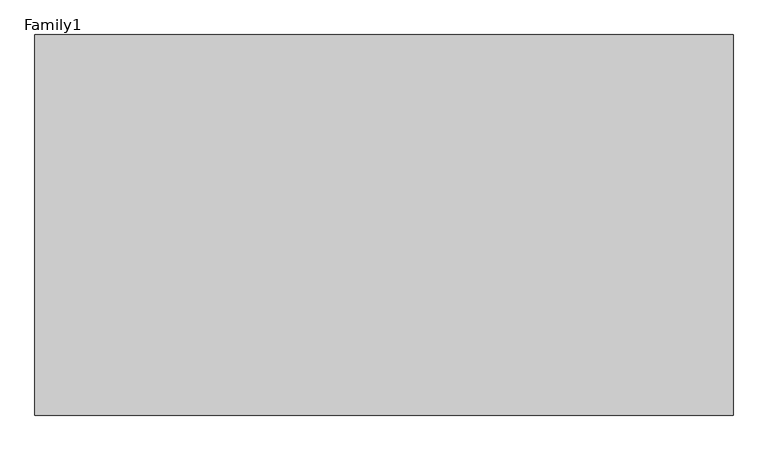
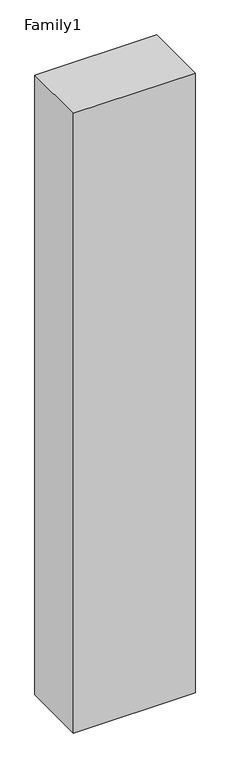
"""IFC4 building model written with IfcOpenShell, lengths in millimetres: proxy geometry, Family1."""

import ifcopenshell
import ifcopenshell.guid

model = None  # the IFC model being written
_history = None  # IfcOwnerHistory: only IFC2X3 demands one
_inside = {}  # id of a spatial element -> (the spatial element, [elements in it])
_under = {}  # id of a project, library or spatial element -> (it, [spatial elements below it])
_declared = {}  # id of a project -> (the project, [libraries it declares])
_typed = {}  # id of a type object -> (the type object, [elements of that type])
_made_of = {}  # id of a material, layer set ... -> (it, [elements and type objects made of it])


def new_model(schema):
    """Start an empty IFC model of exactly this schema.

    Asked for "IFC4X3", IfcOpenShell would pick the latest addendum, in which some entities
    have other attributes; the version numbers below select the first issue.
    IFC2X3 requires an IfcOwnerHistory on every rooted entity: one is made here for all.
    """
    global model, _history
    if schema == "IFC4X3":
        model = ifcopenshell.file(schema_version=(4, 3, 0, 0))
    else:
        model = ifcopenshell.file(schema=schema)
    _inside.clear()
    _under.clear()
    _declared.clear()
    _typed.clear()
    _made_of.clear()
    _history = None
    if model.schema == "IFC2X3":
        org = make("IfcOrganization", Name="unknown")
        user = make(
            "IfcPersonAndOrganization",
            ThePerson=make("IfcPerson", FamilyName="unknown"),
            TheOrganization=org,
        )
        app = make(
            "IfcApplication",
            ApplicationDeveloper=org,
            Version="unknown",
            ApplicationFullName="unknown",
            ApplicationIdentifier="unknown",
        )
        _history = make(
            "IfcOwnerHistory",
            OwningUser=user,
            OwningApplication=app,
            ChangeAction="ADDED",
            CreationDate=0,
        )
    return model


def make(cls, **values):
    """One entity of the class cls with the attributes given. An attribute that is None is left unset."""
    return model.create_entity(
        cls, **{name: value for name, value in values.items() if value is not None}
    )


def rooted(cls, **values):
    """An entity with a GlobalId (a new one), such as an element, a storey or a relation."""
    return make(cls, GlobalId=ifcopenshell.guid.new(), OwnerHistory=_history, **values)


def si_unit(unit_type, name, prefix=None):
    """IfcSIUnit, for example si_unit("LENGTHUNIT", "METRE", prefix="MILLI")."""
    return make("IfcSIUnit", UnitType=unit_type, Prefix=prefix, Name=name)


def assignment(units):
    """IfcUnitAssignment: the units of a project."""
    return None if units is None else make("IfcUnitAssignment", Units=units)


def point(xyz):
    """IfcCartesianPoint."""
    return None if xyz is None else make("IfcCartesianPoint", Coordinates=xyz)


def direction(xyz):
    """IfcDirection."""
    return None if xyz is None else make("IfcDirection", DirectionRatios=xyz)


def frame(location, z_axis=None, x_axis=None):
    """IfcAxis2Placement3D, a coordinate frame: its origin and axes. An axis left out is left unset."""
    return make(
        "IfcAxis2Placement3D",
        Location=point(location),
        Axis=direction(z_axis),
        RefDirection=direction(x_axis),
    )


def origin():
    """The frame at (0, 0, 0) with its axes left unset."""
    return frame((0.0, 0.0, 0.0))


def origin_with_axes():
    """The frame at (0, 0, 0) with the z axis (0, 0, 1) and the x axis (1, 0, 0) written out."""
    return frame((0.0, 0.0, 0.0), z_axis=(0.0, 0.0, 1.0), x_axis=(1.0, 0.0, 0.0))


def place(relative_to, where):
    """IfcLocalPlacement: puts the frame where relative to a parent placement (None: the world)."""
    return make(
        "IfcLocalPlacement", PlacementRelTo=relative_to, RelativePlacement=where
    )


def context(
    kind, dimensions, precision=None, world=None, true_north=None, identifier=None
):
    """IfcGeometricRepresentationContext, for example the 3D "Model" context."""
    return make(
        "IfcGeometricRepresentationContext",
        ContextIdentifier=identifier,
        ContextType=kind,
        CoordinateSpaceDimension=dimensions,
        Precision=precision,
        WorldCoordinateSystem=world,
        TrueNorth=true_north,
    )


def project(units=None, contexts=None):
    """IfcProject with its units and contexts."""
    return rooted(
        "IfcProject",
        Name="project",
        RepresentationContexts=contexts,
        UnitsInContext=assignment(units),
    )


def spatial(cls, under=None, at=None, **own):
    """A site, building, storey or space (cls), placed at a placement, below another one or the project."""
    s = rooted(cls, ObjectPlacement=at, **own)
    if under is not None:
        _under.setdefault(under.id(), (under, []))[1].append(s)
    return s


def polyline(points):
    """IfcPolyline through the points."""
    return make("IfcPolyline", Points=[point(p) for p in points])


def outline(outer, holes=None, kind="AREA"):
    """IfcArbitraryClosedProfileDef: a profile drawn as a closed curve; with holes, ...WithVoids."""
    if holes is None:
        return make("IfcArbitraryClosedProfileDef", ProfileType=kind, OuterCurve=outer)
    return make(
        "IfcArbitraryProfileDefWithVoids",
        ProfileType=kind,
        OuterCurve=outer,
        InnerCurves=holes,
    )


def extrude(swept, where, along, depth):
    """IfcExtrudedAreaSolid: the profile swept, set in the frame where, extruded along a direction by depth."""
    return make(
        "IfcExtrudedAreaSolid",
        SweptArea=swept,
        Position=where,
        ExtrudedDirection=direction(along),
        Depth=depth,
    )


def shape(context_of_items, identifier, shape_type, items):
    """IfcShapeRepresentation: the items that make up one representation, for example the "Body"."""
    return make(
        "IfcShapeRepresentation",
        ContextOfItems=context_of_items,
        RepresentationIdentifier=identifier,
        RepresentationType=shape_type,
        Items=items,
    )


def source(mapping_origin, context_of_items, identifier, shape_type, items):
    """IfcRepresentationMap: a shape defined once, which mapped items show again and again."""
    return make(
        "IfcRepresentationMap",
        MappingOrigin=mapping_origin,
        MappedRepresentation=shape(context_of_items, identifier, shape_type, items),
    )


def transform(
    local_origin,
    x_axis=None,
    y_axis=None,
    z_axis=None,
    scale=None,
    scale2=None,
    scale3=None,
    uniform=True,
):
    """IfcCartesianTransformationOperator3D, or its non-uniform kind. x_axis, y_axis, z_axis: its Axis1, 2, 3."""
    if uniform:
        return make(
            "IfcCartesianTransformationOperator3D",
            Axis1=direction(x_axis),
            Axis2=direction(y_axis),
            LocalOrigin=point(local_origin),
            Scale=scale,
            Axis3=direction(z_axis),
        )
    return make(
        "IfcCartesianTransformationOperator3DnonUniform",
        Axis1=direction(x_axis),
        Axis2=direction(y_axis),
        LocalOrigin=point(local_origin),
        Scale=scale,
        Axis3=direction(z_axis),
        Scale2=scale2,
        Scale3=scale3,
    )


def mapped(mapping_source, mapping_target):
    """IfcMappedItem: shows the shape of a source again, moved by a transform."""
    return make(
        "IfcMappedItem", MappingSource=mapping_source, MappingTarget=mapping_target
    )


def made_of(thing, what):
    """Note that an element or type object is made of a material, layer set ...; save() writes the relation."""
    if what is not None:
        _made_of.setdefault(what.id(), (what, []))[1].append(thing)
    return thing


def element(
    cls,
    number,
    at=None,
    inside=None,
    cuts=None,
    type_object=None,
    material=None,
    context=None,
    identifier="Body",
    shape_type=None,
    held_by="IfcProductDefinitionShape",
    body=None,
    shapes=None,
    **own,
):
    """One element of the class cls, such as IfcWall. Its Tag is "e" and its number.

    at: its placement. inside: the storey or other place that contains it. cuts: it is an
    opening in that element (IfcRelVoidsElement). A single representation is given by context,
    identifier, shape_type and body (its items); several are given by shapes. held_by: the class
    of the entity that holds the representations. save() writes the other relations.
    """
    e = rooted(cls, Tag="e%d" % number, ObjectPlacement=at, **own)
    if body is not None:
        shapes = [shape(context, identifier, shape_type, body)]
    if shapes is not None:
        e.Representation = make(held_by, Representations=shapes)
    if inside is not None:
        _inside.setdefault(inside.id(), (inside, []))[1].append(e)
    if cuts is not None:
        rooted(
            "IfcRelVoidsElement", RelatingBuildingElement=cuts, RelatedOpeningElement=e
        )
    if type_object is not None:
        _typed.setdefault(type_object.id(), (type_object, []))[1].append(e)
    return made_of(e, material)


def aggregate(whole, parts):
    """IfcRelAggregates: a whole, such as a stair, and the parts it consists of."""
    return rooted("IfcRelAggregates", RelatingObject=whole, RelatedObjects=parts)


def save(model, path):
    """Write the relations noted so far, then the file.

    IfcRelAggregates (storeys below a building ...), IfcRelContainedInSpatialStructure (elements
    in a storey), IfcRelDefinesByType, IfcRelAssociatesMaterial and IfcRelDeclares: one each for
    every whole, place, type object, material and project.
    """
    for whole, parts in _under.values():
        aggregate(whole, parts)
    for where, things in _inside.values():
        rooted(
            "IfcRelContainedInSpatialStructure",
            RelatedElements=things,
            RelatingStructure=where,
        )
    for kind, things in _typed.values():
        rooted("IfcRelDefinesByType", RelatedObjects=things, RelatingType=kind)
    for what, things in _made_of.values():
        rooted("IfcRelAssociatesMaterial", RelatedObjects=things, RelatingMaterial=what)
    for by, libraries in _declared.values():
        rooted("IfcRelDeclares", RelatingContext=by, RelatedDefinitions=libraries)
    model.write(path)


def family1_cc7a60a9(model_context):
    return source(origin(), model_context, "Body", "SweptSolid", [
        extrude(outline(polyline([(5500.0, 0.0), (0.0, 0.0), (0.0, 3000.0), (5500.0, 3000.0), (5500.0, 0.0)])), origin_with_axes(), (0.0, 0.0, 1.0), 29584.0),
    ])


if __name__ == "__main__":
    model = new_model("IFC4")
    model_context = context("Model", 3, world=origin())
    ifc_project = project(units=[si_unit("LENGTHUNIT", "METRE", prefix="MILLI")], contexts=[model_context])
    site = spatial("IfcSite", under=ifc_project)
    building = spatial("IfcBuilding", under=site)
    placement = place(None, origin())
    family1_shape = family1_cc7a60a9(model_context)
    element("IfcBuildingElementProxy", 1, Name="Family1", ObjectType="Family1", at=placement, inside=building, context=model_context, shape_type="MappedRepresentation", body=[
        mapped(family1_shape, transform((0.0, 0.0, 0.0), x_axis=(1.0, 0.0, 0.0), y_axis=(0.0, 1.0, 0.0), z_axis=(0.0, 0.0, 1.0))),
    ])
    save(model, "model.ifc")
